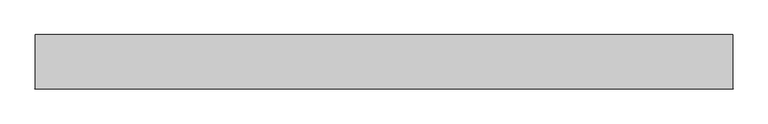
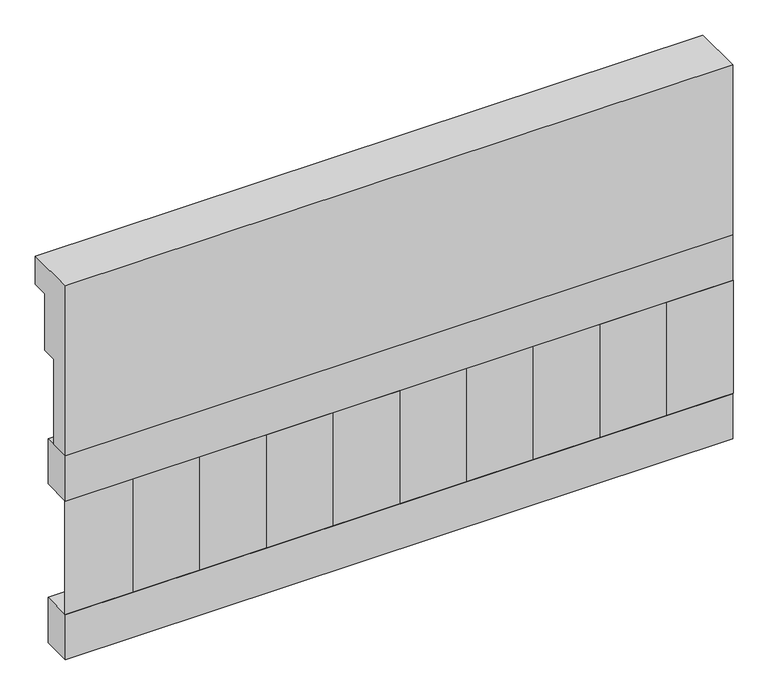
"""IFC4 building model written with IfcOpenShell, lengths in millimetres: railing geometry."""

from ifc_helpers import new_model, si_unit, frame, origin, place, context, project, spatial, polyline, outline, extrude, source, transform, mapped, element, save


def railing_08da1048(model_context):
    return source(origin(), model_context, "Body", "SweptSolid", [
        extrude(outline(polyline([(903.1079487, 15200.0), (1033.1079487, 15200.0), (1033.1079487, 15125.0), (993.1079487, 15125.0), (993.1079487, 14975.0), (953.1079487, 14975.0), (953.1079487, 14750.0), (903.1079487, 14750.0), (903.1079487, 15200.0)])), frame((-29609.9887159, 0.0, 0.0), z_axis=(1.0, 0.0, 0.0), x_axis=(0.0, 1.0, 0.0)), (0.0, 0.0, 1.0), 1670.0),
        extrude(outline(polyline([(-27939.9887159, 978.1079487), (-27939.9887159, 903.1079487), (-29609.9887159, 903.1079487), (-29609.9887159, 978.1079487), (-27939.9887159, 978.1079487)])), frame((0.0, 0.0, 14630.0), z_axis=(0.0, 0.0, 1.0), x_axis=(1.0, 0.0, 0.0)), (0.0, 0.0, 1.0), 120.0),
        extrude(outline(polyline([(-27939.9887159, 978.1079487), (-27939.9887159, 903.1079487), (-29609.9887159, 903.1079487), (-29609.9887159, 978.1079487), (-27939.9887159, 978.1079487)])), frame((0.0, 0.0, 14210.0), z_axis=(0.0, 0.0, 1.0), x_axis=(1.0, 0.0, 0.0)), (0.0, 0.0, 1.0), 120.0),
        extrude(outline(polyline([(-29526.4887159, 987.9607624), (-29441.6359022, 903.1079487), (-29611.3415296, 903.1079487), (-29526.4887159, 987.9607624)])), frame((0.0, 0.0, 14330.0), z_axis=(0.0, 0.0, 1.0), x_axis=(1.0, 0.0, 0.0)), (0.0, 0.0, 1.0), 300.0),
        extrude(outline(polyline([(-29359.4887159, 987.9607624), (-29274.6359022, 903.1079487), (-29444.3415296, 903.1079487), (-29359.4887159, 987.9607624)])), frame((0.0, 0.0, 14330.0), z_axis=(0.0, 0.0, 1.0), x_axis=(1.0, 0.0, 0.0)), (0.0, 0.0, 1.0), 300.0),
        extrude(outline(polyline([(-29192.4887159, 987.9607624), (-29107.6359022, 903.1079487), (-29277.3415296, 903.1079487), (-29192.4887159, 987.9607624)])), frame((0.0, 0.0, 14330.0), z_axis=(0.0, 0.0, 1.0), x_axis=(1.0, 0.0, 0.0)), (0.0, 0.0, 1.0), 300.0),
        extrude(outline(polyline([(-29025.4887159, 987.9607624), (-28940.6359022, 903.1079487), (-29110.3415296, 903.1079487), (-29025.4887159, 987.9607624)])), frame((0.0, 0.0, 14330.0), z_axis=(0.0, 0.0, 1.0), x_axis=(1.0, 0.0, 0.0)), (0.0, 0.0, 1.0), 300.0),
        extrude(outline(polyline([(-28858.4887159, 987.9607624), (-28773.6359022, 903.1079487), (-28943.3415296, 903.1079487), (-28858.4887159, 987.9607624)])), frame((0.0, 0.0, 14330.0), z_axis=(0.0, 0.0, 1.0), x_axis=(1.0, 0.0, 0.0)), (0.0, 0.0, 1.0), 300.0),
        extrude(outline(polyline([(-28691.4887159, 987.9607624), (-28606.6359022, 903.1079487), (-28776.3415296, 903.1079487), (-28691.4887159, 987.9607624)])), frame((0.0, 0.0, 14330.0), z_axis=(0.0, 0.0, 1.0), x_axis=(1.0, 0.0, 0.0)), (0.0, 0.0, 1.0), 300.0),
        extrude(outline(polyline([(-28524.4887159, 987.9607624), (-28439.6359022, 903.1079487), (-28609.3415296, 903.1079487), (-28524.4887159, 987.9607624)])), frame((0.0, 0.0, 14330.0), z_axis=(0.0, 0.0, 1.0), x_axis=(1.0, 0.0, 0.0)), (0.0, 0.0, 1.0), 300.0),
        extrude(outline(polyline([(-28357.4887159, 987.9607624), (-28272.6359022, 903.1079487), (-28442.3415296, 903.1079487), (-28357.4887159, 987.9607624)])), frame((0.0, 0.0, 14330.0), z_axis=(0.0, 0.0, 1.0), x_axis=(1.0, 0.0, 0.0)), (0.0, 0.0, 1.0), 300.0),
        extrude(outline(polyline([(-28190.4887159, 987.9607624), (-28105.6359022, 903.1079487), (-28275.3415296, 903.1079487), (-28190.4887159, 987.9607624)])), frame((0.0, 0.0, 14330.0), z_axis=(0.0, 0.0, 1.0), x_axis=(1.0, 0.0, 0.0)), (0.0, 0.0, 1.0), 300.0),
        extrude(outline(polyline([(-28023.4887159, 987.9607624), (-27938.6359022, 903.1079487), (-28108.3415296, 903.1079487), (-28023.4887159, 987.9607624)])), frame((0.0, 0.0, 14330.0), z_axis=(0.0, 0.0, 1.0), x_axis=(1.0, 0.0, 0.0)), (0.0, 0.0, 1.0), 300.0),
    ])


if __name__ == "__main__":
    model = new_model("IFC4")
    model_context = context("Model", 3, world=origin())
    ifc_project = project(units=[si_unit("LENGTHUNIT", "METRE", prefix="MILLI")], contexts=[model_context])
    site = spatial("IfcSite", under=ifc_project)
    building = spatial("IfcBuilding", under=site)
    placement = place(None, origin())
    railing_shape = railing_08da1048(model_context)
    element("IfcRailing", 1, at=placement, inside=building, context=model_context, shape_type="MappedRepresentation", body=[
        mapped(railing_shape, transform((0.0, 0.0, 0.0), x_axis=(1.0, 0.0, 0.0), y_axis=(0.0, 1.0, 0.0), z_axis=(0.0, 0.0, 1.0))),
    ])
    save(model, "model.ifc")
